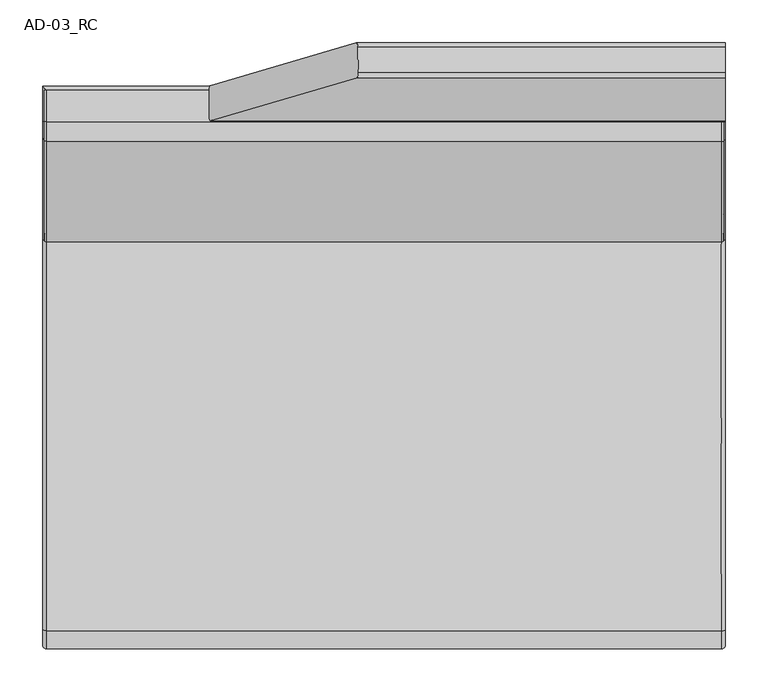
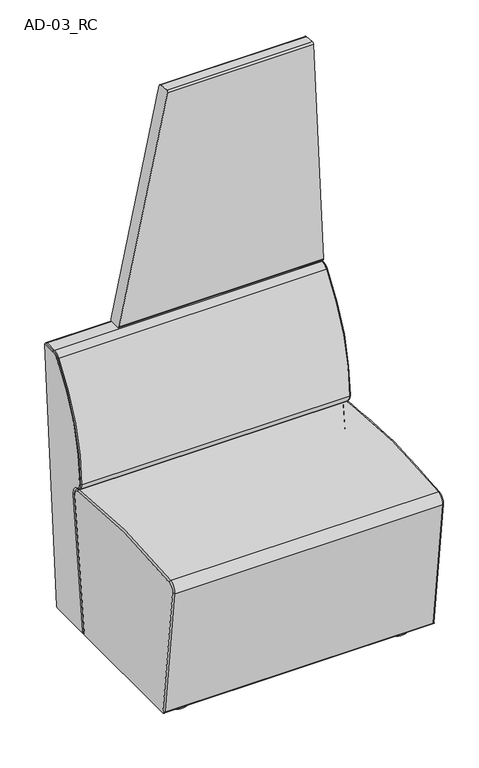
"""IFC4 building model written with IfcOpenShell, lengths in millimetres: furniture geometry, AD-03_RC."""

from ifc_helpers import new_model, si_unit, point, frame, frame_2d, origin, origin_with_axes, place, context, project, spatial, polyline, circle_curve, ellipse_curve, trimmed, segment, composite_curve, outline, extrude, source, transform, mapped, element, save
from ifc_brep_helpers import plane_surface, cylinder_surface, revolved_surface, advanced_brep


def ad_03_rc_693218bc(model_context):
    return source(origin(), model_context, "Body", "SolidModel", [
        advanced_brep(
        [(400.0, 419.2590839, 1469.6077541), (400.0, 413.8822153, 1465.0154618), (400.0, 363.5427897, 825.3922973), (400.0, 368.5273764, 820.0000019), (400.0, 399.604851, 820.0000019), (400.0, 404.5894264, 824.6075634), (400.0, 454.7558357, 1461.7985787), (400.0, 450.1635422, 1467.1756049), (-30.2234991, 419.2590839, 1469.6077541), (-31.4578052, 413.8822153, 1465.0154618), (-203.3742947, 363.5427897, 825.3922973), (-204.8236238, 368.5273764, 820.0000019), (-204.8236238, 399.604851, 820.0000019), (-203.5852137, 404.5894264, 824.6075634), (-32.3224319, 454.7558357, 1461.7985787), (-30.8772068, 450.1635422, 1467.1756049)],
        [
            (0, 1, circle_curve(frame((400.0, 418.866802, 1464.6231664), z_axis=(1.0, 0.0, 0.0), x_axis=(0.0, -1.0, 0.0)), 5.0)),
            (1, 2),
            (2, 3, circle_curve(frame((400.0, 368.5273764, 825.0000019), z_axis=(1.0, 0.0, 0.0), x_axis=(0.0, -1.0, 0.0)), 5.0)),
            (3, 4),
            (4, 5, circle_curve(frame((400.0, 399.604851, 825.0000019), z_axis=(1.0, 0.0, 0.0), x_axis=(0.0, -1.0, 0.0)), 5.0)),
            (5, 6),
            (6, 7, circle_curve(frame((400.0, 449.7712603, 1462.1910171), z_axis=(1.0, 0.0, 0.0), x_axis=(0.0, -1.0, 0.0)), 5.0)),
            (7, 0),
            (0, 8),
            (8, 9, ellipse_curve(frame((-31.5632455, 418.866802, 1464.6231664), z_axis=(0.9657254925064075, 0.0, -0.2595655468725708), x_axis=(0.2595655468725707, 0.0, 0.9657254925064074)), 5.1774547, 5.0)),
            (9, 1),
            (9, 10),
            (10, 2),
            (10, 11, ellipse_curve(frame((-203.479735, 368.5273764, 825.0000019), z_axis=(0.9657254925064075, 0.0, -0.2595655468725708), x_axis=(0.2595655468725707, 0.0, 0.9657254925064074)), 5.1774547, 5.0)),
            (11, 3),
            (11, 12),
            (12, 4),
            (12, 13, ellipse_curve(frame((-203.479735, 399.604851, 825.0000019), z_axis=(0.9657254925064075, 0.0, -0.2595655468725708), x_axis=(0.2595655468725707, 0.0, 0.9657254925064074)), 5.1774547, 5.0)),
            (13, 5),
            (13, 14),
            (14, 6),
            (14, 15, ellipse_curve(frame((-32.2169531, 449.7712603, 1462.1910171), z_axis=(0.9657254925064075, 0.0, -0.2595655468725708), x_axis=(0.2595655468725707, 0.0, 0.9657254925064074)), 5.1774547, 5.0)),
            (15, 7),
            (15, 8),
        ],
        [
            plane_surface(frame((400.0, 413.866802, 1464.6231664), z_axis=(1.0, 0.0, 0.0), x_axis=(0.0, 0.0, -1.0))),
            cylinder_surface(frame((-215.0, 418.866802, 1464.6231664), z_axis=(1.0, 0.0, 0.0), x_axis=(0.0, -1.0, 0.0)), 5.0),
            plane_surface(frame((400.0, 413.8822153, 1465.0154618), z_axis=(0.0, -0.9969173348484363, 0.07845908155650931), x_axis=(-1.0, 0.0, 0.0))),
            cylinder_surface(frame((-215.0, 368.5273764, 825.0000019), z_axis=(1.0, 0.0, 0.0), x_axis=(0.0, -1.0, 0.0)), 5.0),
            plane_surface(frame((400.0, 368.5273764, 820.0000019), z_axis=(0.0, 0.0, -1.0), x_axis=(-1.0, 0.0, 0.0))),
            cylinder_surface(frame((-215.0, 399.604851, 825.0000019), z_axis=(1.0, 0.0, 0.0), x_axis=(0.0, -1.0, 0.0)), 5.0),
            plane_surface(frame((400.0, 404.5894264, 824.6075634), z_axis=(0.0, 0.9969150830060304, -0.07848768868478476), x_axis=(-1.0, 0.0, 0.0))),
            cylinder_surface(frame((-215.0, 449.7712603, 1462.1910171), z_axis=(1.0, 0.0, 0.0), x_axis=(0.0, -1.0, 0.0)), 5.0),
            plane_surface(frame((400.0, 450.1635422, 1467.1756049), z_axis=(0.0, 0.0784563912035882, 0.9969175465801119), x_axis=(-1.0, 0.0, 0.0))),
            plane_surface(frame((-206.1633832, 343.8699125, 815.0153657), z_axis=(-0.9657254925064075, 0.0, 0.2595655468725708), x_axis=(0.0, 1.0, 0.0))),
        ],
        [
            (0, [[1, 2, 3, 4, 5, 6, 7, 8]]),
            (1, [[-1, 9, 10, 11]]),
            (2, [[-2, -11, 12, 13]]),
            (3, [[-3, -13, 14, 15]]),
            (4, [[-4, -15, 16, 17]]),
            (5, [[-5, -17, 18, 19]]),
            (6, [[-6, -19, 20, 21]]),
            (7, [[-7, -21, 22, 23]]),
            (8, [[-8, -23, 24, -9]]),
            (9, [[-10, -24, -22, -20, -18, -16, -14, -12]]),
        ],
    ),
        advanced_brep(
        [(-395.0, 221.524199, 484.6909581), (-395.0, 238.6576062, 460.7221454), (395.0, 238.6576062, 460.7221454), (395.0, 221.524199, 484.6909581), (-398.0, 238.9722245, 461.6713637), (398.0, 238.9722245, 461.6713637), (-398.0, 222.5241535, 484.6814239), (398.0, 222.5241535, 484.6814239), (-398.0, 339.7994218, 808.3627036), (398.0, 339.7994218, 808.3627036), (-395.0, 339.0254308, 808.9959002), (395.0, 339.0254308, 808.9959002), (-398.0, 362.2451605, 819.0000019), (398.0, 362.2451605, 819.0000019), (-398.0, 398.836205, 819.0000019), (398.0, 398.836205, 819.0000019), (-395.0, 398.836205, 820.0000019), (395.0, 398.836205, 820.0000019), (-395.0, 362.2451605, 820.0000019), (395.0, 362.2451605, 820.0000019)],
        [
            (0, 1, circle_curve(frame((-395.0, 246.5230627, 484.4526025), z_axis=(1.0, 0.0, 0.0), x_axis=(0.0, 1.0, 0.0)), 25.0)),
            (1, 2),
            (2, 3, circle_curve(frame((395.0, 246.5230627, 484.4526025), z_axis=(-1.0, 0.0, 0.0), x_axis=(0.0, 1.0, 0.0)), 25.0)),
            (3, 0),
            (1, 4, circle_curve(frame((-395.0, 240.2306975, 465.4682368), z_axis=(0.0, 0.9492182845306808, -0.3146182580725912), x_axis=(0.0, -0.3146182580725912, -0.9492182845306808)), 5.0)),
            (4, 5),
            (5, 2, circle_curve(frame((395.0, 240.2306975, 465.4682368), z_axis=(0.0, 0.9492182845306857, -0.31461825807257626), x_axis=(0.0, -0.31461825807257626, -0.9492182845306857)), 5.0)),
            (4, 6, circle_curve(frame((-398.0, 246.5230627, 484.4526025), z_axis=(-1.0, 0.0, 0.0), x_axis=(0.0, 1.0, 0.0)), 24.0)),
            (6, 7),
            (7, 5, circle_curve(frame((398.0, 246.5230627, 484.4526025), z_axis=(1.0, 0.0, 0.0), x_axis=(0.0, 1.0, 0.0)), 24.0)),
            (6, 8, circle_curve(frame((-398.0, 741.5013672, 479.7331542), z_axis=(-1.0, 0.0, 0.0), x_axis=(0.0, -1.0, 0.0)), 519.0008031)),
            (8, 9),
            (9, 7, circle_curve(frame((398.0, 741.5013672, 479.7331542), z_axis=(1.0, 0.0, 0.0), x_axis=(0.0, -1.0, 0.0)), 519.0008031)),
            (10, 0, circle_curve(frame((-395.0, 741.5013672, 479.7331542), z_axis=(1.0, 0.0, 0.0), x_axis=(0.0, -1.0, 0.0)), 520.0008031)),
            (3, 11, circle_curve(frame((395.0, 741.5013672, 479.7331542), z_axis=(-1.0, 0.0, 0.0), x_axis=(0.0, -1.0, 0.0)), 520.0008031)),
            (11, 10),
            (8, 12, circle_curve(frame((-398.0, 362.2451605, 790.0000019), z_axis=(-1.0, 0.0, 0.0), x_axis=(0.0, -1.0, 0.0)), 29.0)),
            (12, 13),
            (13, 9, circle_curve(frame((398.0, 362.2451605, 790.0000019), z_axis=(1.0, 0.0, 0.0), x_axis=(0.0, -1.0, 0.0)), 29.0)),
            (12, 14),
            (14, 15),
            (15, 13),
            (14, 16, circle_curve(frame((-395.0, 398.836205, 815.0000019), z_axis=(0.0, 1.0, 0.0), x_axis=(0.0, 0.0, 1.0)), 5.0)),
            (16, 17),
            (17, 15, circle_curve(frame((395.0, 398.836205, 815.0000019), z_axis=(0.0, 1.0, 0.0), x_axis=(0.0, 0.0, 1.0)), 5.0)),
            (16, 18),
            (18, 19),
            (19, 17),
            (18, 10, circle_curve(frame((-395.0, 362.2451605, 790.0000019), z_axis=(1.0, 0.0, 0.0), x_axis=(0.0, -1.0, 0.0)), 30.0)),
            (11, 19, circle_curve(frame((395.0, 362.2451605, 790.0000019), z_axis=(-1.0, 0.0, 0.0), x_axis=(0.0, -1.0, 0.0)), 30.0)),
            (0, 6, circle_curve(frame((-395.0, 226.5239717, 484.643287), z_axis=(0.0, -0.009534223590471125, -0.9999545482573329), x_axis=(0.0, -0.9999545482573329, 0.009534223590471125)), 5.0)),
            (10, 8, circle_curve(frame((-395.0, 342.8953858, 805.8299171), z_axis=(0.0, -0.6331966105556625, -0.7739909898576474), x_axis=(0.0, -0.7739909898576474, 0.6331966105556625)), 5.0)),
            (18, 12, circle_curve(frame((-395.0, 362.2451605, 815.0000019), z_axis=(0.0, -1.0, 0.0), x_axis=(0.0, 0.0, 1.0)), 5.0)),
            (19, 13, circle_curve(frame((395.0, 362.2451605, 815.0000019), z_axis=(0.0, 1.0, 0.0), x_axis=(0.0, 0.0, 1.0)), 5.0)),
            (11, 9, circle_curve(frame((395.0, 342.8953858, 805.8299171), z_axis=(0.0, 0.6331966105558353, 0.7739909898575059), x_axis=(0.0, -0.7739909898575059, 0.6331966105558353)), 5.0)),
            (3, 7, circle_curve(frame((395.0, 226.5239717, 484.643287), z_axis=(0.0, 0.009534223590352664, 0.999954548257334), x_axis=(0.0, -0.999954548257334, 0.009534223590352664)), 5.0)),
        ],
        [
            cylinder_surface(frame((-400.0, 246.5230627, 484.4526025), z_axis=(1.0, 0.0, 0.0), x_axis=(0.0, 1.0, 0.0)), 25.0),
            plane_surface(frame((400.0, 238.6576062, 460.7221454), z_axis=(0.0, 0.9492182845306205, -0.31461825807277327), x_axis=(-1.0, 0.0, 0.0))),
            revolved_surface(polyline([(-398.0, 270.52306269999997, 484.4526025), (398.0, 270.52306269999997, 484.4526025)]), (-400.0, 246.5230627, 484.4526025), (-1.0, 0.0, 0.0)),
            revolved_surface(polyline([(-398.0, 222.50056410000002, 479.7331542), (398.0, 222.50056410000002, 479.7331542)]), (-400.0, 741.5013672, 479.7331542), (-1.0, 0.0, 0.0)),
            cylinder_surface(frame((-400.0, 741.5013672, 479.7331542), z_axis=(1.0, 0.0, 0.0), x_axis=(0.0, -1.0, 0.0)), 520.0008031),
            revolved_surface(polyline([(-398.0, 333.2451605, 790.0000019), (398.0, 333.2451605, 790.0000019)]), (-400.0, 362.2451605, 790.0000019), (-1.0, 0.0, 0.0)),
            plane_surface(frame((400.0, 362.2451605, 819.0000019), z_axis=(0.0, 0.0, -1.0), x_axis=(-1.0, 0.0, 0.0))),
            plane_surface(frame((400.0, 398.836205, 819.0000019), z_axis=(0.0, 1.0, 0.0), x_axis=(-1.0, 0.0, 0.0))),
            plane_surface(frame((400.0, 398.836205, 820.0000019), z_axis=(0.0, 0.0, 1.0), x_axis=(-1.0, 0.0, 0.0))),
            cylinder_surface(frame((-400.0, 362.2451605, 790.0000019), z_axis=(1.0, 0.0, 0.0), x_axis=(0.0, -1.0, 0.0)), 30.0),
            revolved_surface(trimmed(ellipse_curve(frame((-395.0, 240.2306975, 465.4682368), z_axis=(0.0, 0.9492182845306808, -0.3146182580725912), x_axis=(0.0, -0.3146182580725912, -0.9492182845306808)), 5.0, 5.0), [point((-395.0, 238.6576062, 460.7221454))], [point((-400.0, 240.2306975, 465.4682368))], True, "CARTESIAN"), (-400.0, 246.5230627, 484.4526025), (-1.0, 0.0, 0.0)),
            revolved_surface(trimmed(ellipse_curve(frame((-395.0, 226.5239717, 484.643287), z_axis=(0.0, -0.009534223590352497, -0.9999545482573341), x_axis=(0.0, -0.9999545482573341, 0.009534223590352497)), 5.0, 5.0), [point((-395.0, 221.524199, 484.6909581))], [point((-400.0, 226.5239717, 484.643287))], True, "CARTESIAN"), (-400.0, 741.5013672, 479.7331542), (-1.0, 0.0, 0.0)),
            revolved_surface(trimmed(ellipse_curve(frame((-395.0, 342.8953858, 805.8299171), z_axis=(0.0, -0.6331966105557443, -0.7739909898575804), x_axis=(0.0, -0.7739909898575804, 0.6331966105557443)), 5.0, 5.0), [point((-395.0, 339.0254308, 808.9959002))], [point((-400.0, 342.8953858, 805.8299171))], True, "CARTESIAN"), (-400.0, 362.2451605, 790.0000019), (-1.0, 0.0, 0.0)),
            cylinder_surface(frame((-395.0, 362.2451605, 815.0000019), z_axis=(0.0, 1.0, 0.0), x_axis=(0.0, 0.0, 1.0)), 5.0),
            cylinder_surface(frame((395.0, 407.2451605, 815.0000019), z_axis=(0.0, -1.0, 0.0), x_axis=(0.0, 0.0, 1.0)), 5.0),
            revolved_surface(trimmed(ellipse_curve(frame((395.0, 362.2451605, 815.0000019), z_axis=(0.0, 1.0, 0.0), x_axis=(0.0, 0.0, 1.0)), 5.0, 5.0), [point((395.0, 362.2451605, 820.0000019))], [point((400.0, 362.2451605, 815.0000019))], True, "CARTESIAN"), (400.0, 362.2451605, 790.0000019), (1.0, 0.0, 0.0)),
            revolved_surface(trimmed(ellipse_curve(frame((395.0, 342.8953858, 805.8299171), z_axis=(0.0, 0.6331966105556678, 0.7739909898576429), x_axis=(0.0, -0.7739909898576429, 0.6331966105556678)), 5.0, 5.0), [point((395.0, 339.0254308, 808.9959002))], [point((400.0, 342.8953858, 805.8299171))], True, "CARTESIAN"), (400.0, 741.5013672, 479.7331542), (1.0, 0.0, 0.0)),
            revolved_surface(trimmed(ellipse_curve(frame((395.0, 226.5239717, 484.643287), z_axis=(0.0, 0.00953422359047229, 0.999954548257333), x_axis=(0.0, -0.999954548257333, 0.00953422359047229)), 5.0, 5.0), [point((395.0, 221.524199, 484.6909581))], [point((400.0, 226.5239717, 484.643287))], True, "CARTESIAN"), (400.0, 246.5230627, 484.4526025), (1.0, 0.0, 0.0)),
        ],
        [
            (0, [[1, 2, 3, 4]]),
            (1, [[5, 6, 7, -2]]),
            (2, [[8, 9, 10, -6]]),
            (3, [[11, 12, 13, -9]]),
            (4, [[14, -4, 15, 16]]),
            (5, [[17, 18, 19, -12]]),
            (6, [[20, 21, 22, -18]]),
            (7, [[23, 24, 25, -21]]),
            (8, [[26, 27, 28, -24]]),
            (9, [[29, -16, 30, -27]]),
            (10, [[31, -8, -5, -1]]),
            (11, [[-31, -14, 32, -11]]),
            (12, [[-32, -29, 33, -17]]),
            (13, [[-33, -26, -23, -20]]),
            (14, [[34, -22, -25, -28]]),
            (15, [[35, -19, -34, -30]]),
            (16, [[36, -13, -35, -15]]),
            (17, [[-36, -3, -7, -10]]),
        ],
    ),
        advanced_brep(
        [(400.0, 342.4334712, 34.6077039), (400.0, 403.8207917, 814.6077065), (400.0, 403.836205, 815.0000019), (400.0, 362.2451605, 815.0000019), (400.0, 342.8953858, 805.8299171), (400.0, 226.5239717, 484.643287), (400.0, 240.2306975, 465.4682368), (400.0, 260.5669798, 433.3229695), (400.0, 211.4874395, 34.9999993), (400.0, 206.5249679, 35.6114525), (400.0, 211.4874395, 29.9999993), (400.0, 337.4488846, 29.9999993), (-400.0, 342.4334712, 34.6077039), (-400.0, 337.4488846, 29.9999993), (-400.0, 211.4874395, 29.9999993), (-400.0, 206.5249679, 35.6114525), (-400.0, 211.4874395, 34.9999993), (-400.0, 260.5669798, 433.3229695), (-400.0, 240.2306975, 465.4682368), (-400.0, 226.5239717, 484.643287), (-400.0, 342.8953858, 805.8299171), (-400.0, 362.2451605, 815.0000019), (-400.0, 403.836205, 815.0000019), (-400.0, 403.8207917, 814.6077065), (-395.0, 398.836205, 820.0000019), (395.0, 398.836205, 820.0000019), (-395.0, 238.6576062, 460.7221454), (-395.0, 255.6045081, 433.9344226), (395.0, 255.6045081, 433.9344226), (395.0, 238.6576062, 460.7221454), (-395.0, 206.5249679, 35.6114525), (395.0, 206.5249679, 35.6114525), (-398.0, 398.836205, 819.0000019), (398.0, 398.836205, 819.0000019), (-398.0, 362.2451605, 819.0000019), (398.0, 362.2451605, 819.0000019), (-398.0, 339.7994218, 808.3627036), (398.0, 339.7994218, 808.3627036), (-398.0, 222.5241535, 484.6814239), (398.0, 222.5241535, 484.6814239), (-398.0, 238.9722245, 461.6713637), (398.0, 238.9722245, 461.6713637)],
        [
            (0, 1),
            (1, 2, circle_curve(frame((400.0, 398.836205, 815.0000019), z_axis=(1.0, 0.0, 0.0), x_axis=(0.0, -1.0, 0.0)), 5.0)),
            (2, 3),
            (3, 4, circle_curve(frame((400.0, 362.2451605, 790.0000019), z_axis=(1.0, 0.0, 0.0), x_axis=(0.0, 0.0, 1.0)), 25.0)),
            (4, 5, circle_curve(frame((400.0, 741.5013672, 479.7331542), z_axis=(1.0, 0.0, 0.0), x_axis=(0.0, -0.7739909898576431, 0.6331966105556676)), 515.0008031)),
            (5, 6, circle_curve(frame((400.0, 246.5230627, 484.4526025), z_axis=(1.0, 0.0, 0.0), x_axis=(0.0, -0.999954548257333, 0.009534223590471985)), 20.0)),
            (6, 7, circle_curve(frame((400.0, 230.7921498, 436.9916883), z_axis=(-1.0, 0.0, 0.0), x_axis=(0.0, 0.3146182580725262, 0.9492182845307023)), 30.0)),
            (7, 8),
            (8, 9),
            (9, 10, circle_curve(frame((400.0, 211.4874395, 34.9999993), z_axis=(1.0, 0.0, 0.0), x_axis=(0.0, -1.0, 0.0)), 5.0)),
            (10, 11),
            (11, 0, circle_curve(frame((400.0, 337.4488846, 34.9999993), z_axis=(1.0, 0.0, 0.0), x_axis=(0.0, -1.0, 0.0)), 5.0)),
            (12, 13, circle_curve(frame((-400.0, 337.4488846, 34.9999993), z_axis=(-1.0, 0.0, 0.0), x_axis=(0.0, -1.0, 0.0)), 5.0)),
            (13, 14),
            (14, 15, circle_curve(frame((-400.0, 211.4874395, 34.9999993), z_axis=(-1.0, 0.0, 0.0), x_axis=(0.0, -1.0, 0.0)), 5.0)),
            (15, 16),
            (16, 17),
            (17, 18, circle_curve(frame((-400.0, 230.7921498, 436.9916883), z_axis=(1.0, 0.0, 0.0), x_axis=(0.0, 0.9924943338041959, -0.12229062665047293)), 30.0)),
            (18, 19, circle_curve(frame((-400.0, 246.5230627, 484.4526025), z_axis=(-1.0, 0.0, 0.0), x_axis=(0.0, -0.31461825807259114, -0.9492182845306808)), 20.0)),
            (19, 20, circle_curve(frame((-400.0, 741.5013672, 479.7331542), z_axis=(-1.0, 0.0, 0.0), x_axis=(0.0, -0.9999545482573341, 0.009534223590352409)), 515.0008031)),
            (20, 21, circle_curve(frame((-400.0, 362.2451605, 790.0000019), z_axis=(-1.0, 0.0, 0.0), x_axis=(0.0, -0.7739909898575803, 0.6331966105557444)), 25.0)),
            (21, 22),
            (22, 23, circle_curve(frame((-400.0, 398.836205, 815.0000019), z_axis=(-1.0, 0.0, 0.0), x_axis=(0.0, -1.0, 0.0)), 5.0)),
            (23, 12),
            (0, 12),
            (23, 1),
            (22, 24, ellipse_curve(frame((-395.0, 398.836205, 815.0000019), z_axis=(0.7071067811865475, 0.7071067811865475, 0.0), x_axis=(0.7071067811865476, -0.7071067811865474, 0.0)), 7.0710678, 5.0)),
            (24, 25),
            (25, 2, ellipse_curve(frame((395.0, 398.836205, 815.0000019), z_axis=(-0.7071067811865475, 0.7071067811865475, 0.0), x_axis=(0.7071067811865476, 0.7071067811865474, 0.0)), 7.0710678, 5.0)),
            (26, 27, circle_curve(frame((-395.0, 230.7921498, 436.9916883), z_axis=(-1.0, 0.0, 0.0), x_axis=(0.0, -1.0, 0.0)), 25.0)),
            (27, 28),
            (28, 29, circle_curve(frame((395.0, 230.7921498, 436.9916883), z_axis=(1.0, 0.0, 0.0), x_axis=(0.0, -1.0, 0.0)), 25.0)),
            (29, 26),
            (27, 30),
            (30, 31),
            (31, 28),
            (9, 31),
            (30, 15),
            (14, 10),
            (13, 11),
            (24, 32, circle_curve(frame((-395.0, 398.836205, 815.0000019), z_axis=(0.0, -1.0, 0.0), x_axis=(0.0, 0.0, 1.0)), 5.0)),
            (32, 33),
            (33, 25, circle_curve(frame((395.0, 398.836205, 815.0000019), z_axis=(0.0, -1.0, 0.0), x_axis=(0.0, 0.0, 1.0)), 5.0)),
            (32, 34),
            (34, 35),
            (35, 33),
            (34, 36, circle_curve(frame((-398.0, 362.2451605, 790.0000019), z_axis=(1.0, 0.0, 0.0), x_axis=(0.0, -1.0, 0.0)), 29.0)),
            (36, 37),
            (37, 35, circle_curve(frame((398.0, 362.2451605, 790.0000019), z_axis=(-1.0, 0.0, 0.0), x_axis=(0.0, -1.0, 0.0)), 29.0)),
            (36, 38, circle_curve(frame((-398.0, 741.5013672, 479.7331542), z_axis=(1.0, 0.0, 0.0), x_axis=(0.0, -1.0, 0.0)), 519.0008031)),
            (38, 39),
            (39, 37, circle_curve(frame((398.0, 741.5013672, 479.7331542), z_axis=(-1.0, 0.0, 0.0), x_axis=(0.0, -1.0, 0.0)), 519.0008031)),
            (38, 40, circle_curve(frame((-398.0, 246.5230627, 484.4526025), z_axis=(1.0, 0.0, 0.0), x_axis=(0.0, 1.0, 0.0)), 24.0)),
            (40, 41),
            (41, 39, circle_curve(frame((398.0, 246.5230627, 484.4526025), z_axis=(-1.0, 0.0, 0.0), x_axis=(0.0, 1.0, 0.0)), 24.0)),
            (40, 26, circle_curve(frame((-395.0, 240.2306975, 465.4682368), z_axis=(0.0, -0.949218284530701, 0.31461825807253), x_axis=(0.0, -0.31461825807253, -0.949218284530701)), 5.0)),
            (29, 41, circle_curve(frame((395.0, 240.2306975, 465.4682368), z_axis=(0.0, -0.9492182845307022, 0.31461825807252664), x_axis=(0.0, -0.31461825807252664, -0.9492182845307022)), 5.0)),
            (30, 16, circle_curve(frame((-395.0, 211.4874395, 34.9999993), z_axis=(0.0, -0.12229062665048503, -0.9924943338041944), x_axis=(0.0, -0.9924943338041944, 0.12229062665048503)), 5.0)),
            (27, 17, circle_curve(frame((-395.0, 260.5669798, 433.3229695), z_axis=(0.0, -0.12229062665048503, -0.9924943338041944), x_axis=(0.0, -0.9924943338041944, 0.12229062665048503)), 5.0)),
            (40, 18, circle_curve(frame((-395.0, 240.2306975, 465.4682368), z_axis=(0.0, 0.949218284530701, -0.31461825807253), x_axis=(0.0, -0.31461825807253, -0.949218284530701)), 5.0)),
            (38, 19, circle_curve(frame((-395.0, 226.5239717, 484.643287), z_axis=(0.0, -0.009534223590481783, -0.999954548257333), x_axis=(0.0, -0.999954548257333, 0.009534223590481783)), 5.0)),
            (36, 20, circle_curve(frame((-395.0, 342.8953858, 805.8299171), z_axis=(0.0, -0.6331966105556722, -0.7739909898576393), x_axis=(0.0, -0.7739909898576393, 0.6331966105556722)), 5.0)),
            (34, 21, circle_curve(frame((-395.0, 362.2451605, 815.0000019), z_axis=(0.0, -1.0, 0.0), x_axis=(0.0, 0.0, 1.0)), 5.0)),
            (35, 3, circle_curve(frame((395.0, 362.2451605, 815.0000019), z_axis=(0.0, 1.0, 0.0), x_axis=(0.0, 0.0, 1.0)), 5.0)),
            (37, 4, circle_curve(frame((395.0, 342.8953858, 805.8299171), z_axis=(0.0, 0.6331966105559279, 0.7739909898574301), x_axis=(0.0, -0.7739909898574301, 0.6331966105559279)), 5.0)),
            (39, 5, circle_curve(frame((395.0, 226.5239717, 484.643287), z_axis=(0.0, 0.009534223590352942, 0.9999545482573342), x_axis=(0.0, -0.9999545482573342, 0.009534223590352942)), 5.0)),
            (41, 6, circle_curve(frame((395.0, 240.2306975, 465.4682368), z_axis=(0.0, -0.949218284530679, 0.3146182580725963), x_axis=(0.0, -0.3146182580725963, -0.949218284530679)), 5.0)),
            (28, 7, circle_curve(frame((395.0, 260.5669798, 433.3229695), z_axis=(0.0, 0.12229062665048149, 0.9924943338041949), x_axis=(0.0, -0.9924943338041949, 0.12229062665048149)), 5.0)),
            (8, 31, circle_curve(frame((395.0, 211.4874395, 34.9999993), z_axis=(0.0, -0.12229062665048539, -0.9924943338041944), x_axis=(0.0, -0.9924943338041944, 0.12229062665048539)), 5.0)),
        ],
        [
            plane_surface(frame((400.0, 403.820794, 814.6077357), z_axis=(1.0, 0.0, 0.0), x_axis=(0.0, 0.07845908166168687, 0.9969173348401585))),
            plane_surface(frame((-400.0, 403.820794, 814.6077357), z_axis=(-1.0, 0.0, 0.0), x_axis=(0.0, -0.07845908166168687, -0.9969173348401585))),
            plane_surface(frame((400.0, 342.4334712, 34.6077039), z_axis=(0.0, 0.9969173348401585, -0.07845908166168687), x_axis=(-1.0, 0.0, 0.0))),
            cylinder_surface(frame((-400.0, 398.836205, 815.0000019), z_axis=(1.0, 0.0, 0.0), x_axis=(0.0, -1.0, 0.0)), 5.0),
            revolved_surface(polyline([(-395.0, 205.7921498, 436.9916883), (395.0, 205.7921498, 436.9916883)]), (-400.0, 230.7921498, 436.9916883), (-1.0, 0.0, 0.0)),
            plane_surface(frame((400.0, 255.6045081, 433.9344226), z_axis=(0.0, -0.9924943338041945, 0.12229062665048508), x_axis=(-1.0, 0.0, 0.0))),
            cylinder_surface(frame((-400.0, 211.4874395, 34.9999993), z_axis=(1.0, 0.0, 0.0), x_axis=(0.0, -1.0, 0.0)), 5.0),
            plane_surface(frame((400.0, 211.4874395, 29.9999993), z_axis=(0.0, 0.0, -1.0), x_axis=(-1.0, 0.0, 0.0))),
            cylinder_surface(frame((-400.0, 337.4488846, 34.9999993), z_axis=(1.0, 0.0, 0.0), x_axis=(0.0, -1.0, 0.0)), 5.0),
            plane_surface(frame((400.0, 398.836205, 820.0000019), z_axis=(0.0, -1.0, 0.0), x_axis=(-1.0, 0.0, 0.0))),
            plane_surface(frame((400.0, 398.836205, 819.0000019), z_axis=(0.0, 0.0, 1.0), x_axis=(-1.0, 0.0, 0.0))),
            cylinder_surface(frame((-400.0, 362.2451605, 790.0000019), z_axis=(1.0, 0.0, 0.0), x_axis=(0.0, -1.0, 0.0)), 29.0),
            cylinder_surface(frame((-400.0, 741.5013672, 479.7331542), z_axis=(1.0, 0.0, 0.0), x_axis=(0.0, -1.0, 0.0)), 519.0008031),
            cylinder_surface(frame((-400.0, 246.5230627, 484.4526025), z_axis=(1.0, 0.0, 0.0), x_axis=(0.0, 1.0, 0.0)), 24.0),
            plane_surface(frame((400.0, 238.9722245, 461.6713637), z_axis=(0.0, -0.9492182845306811, 0.3146182580725903), x_axis=(-1.0, 0.0, 0.0))),
            plane_surface(frame((-400.0, 206.5249679, 35.6114525), z_axis=(0.0, 0.12229062665048503, 0.9924943338041944), x_axis=(-1.0, 0.0, 0.0))),
            cylinder_surface(frame((-395.0, 211.4874395, 34.9999993), z_axis=(0.0, 0.12229062665048503, 0.9924943338041944), x_axis=(0.0, -0.9924943338041944, 0.12229062665048503)), 5.0),
            revolved_surface(trimmed(ellipse_curve(frame((-395.0, 260.5669798, 433.3229695), z_axis=(0.0, -0.12229062665047293, -0.9924943338041959), x_axis=(0.0, -0.9924943338041959, 0.12229062665047293)), 5.0, 5.0), [point((-395.0, 255.6045081, 433.9344226))], [point((-400.0, 260.5669798, 433.3229695))], True, "CARTESIAN"), (-400.0, 230.7921498, 436.9916883), (1.0, 0.0, 0.0)),
            revolved_surface(trimmed(ellipse_curve(frame((-395.0, 240.2306975, 465.4682368), z_axis=(0.0, 0.9492182845306808, -0.3146182580725912), x_axis=(0.0, -0.3146182580725912, -0.9492182845306808)), 5.0, 5.0), [point((-395.0, 238.6576062, 460.7221454))], [point((-400.0, 240.2306975, 465.4682368))], True, "CARTESIAN"), (-400.0, 246.5230627, 484.4526025), (-1.0, 0.0, 0.0)),
            revolved_surface(trimmed(ellipse_curve(frame((-395.0, 226.5239717, 484.643287), z_axis=(0.0, -0.009534223590352497, -0.9999545482573341), x_axis=(0.0, -0.9999545482573341, 0.009534223590352497)), 5.0, 5.0), [point((-395.0, 221.524199, 484.6909581))], [point((-400.0, 226.5239717, 484.643287))], True, "CARTESIAN"), (-400.0, 741.5013672, 479.7331542), (-1.0, 0.0, 0.0)),
            revolved_surface(trimmed(ellipse_curve(frame((-395.0, 342.8953858, 805.8299171), z_axis=(0.0, -0.6331966105557443, -0.7739909898575804), x_axis=(0.0, -0.7739909898575804, 0.6331966105557443)), 5.0, 5.0), [point((-395.0, 339.0254308, 808.9959002))], [point((-400.0, 342.8953858, 805.8299171))], True, "CARTESIAN"), (-400.0, 362.2451605, 790.0000019), (-1.0, 0.0, 0.0)),
            cylinder_surface(frame((-395.0, 362.2451605, 815.0000019), z_axis=(0.0, 1.0, 0.0), x_axis=(0.0, 0.0, 1.0)), 5.0),
            cylinder_surface(frame((395.0, 407.2451605, 815.0000019), z_axis=(0.0, -1.0, 0.0), x_axis=(0.0, 0.0, 1.0)), 5.0),
            revolved_surface(trimmed(ellipse_curve(frame((395.0, 362.2451605, 815.0000019), z_axis=(0.0, 1.0, 0.0), x_axis=(0.0, 0.0, 1.0)), 5.0, 5.0), [point((395.0, 362.2451605, 820.0000019))], [point((400.0, 362.2451605, 815.0000019))], True, "CARTESIAN"), (400.0, 362.2451605, 790.0000019), (1.0, 0.0, 0.0)),
            revolved_surface(trimmed(ellipse_curve(frame((395.0, 342.8953858, 805.8299171), z_axis=(0.0, 0.6331966105556678, 0.7739909898576429), x_axis=(0.0, -0.7739909898576429, 0.6331966105556678)), 5.0, 5.0), [point((395.0, 339.0254308, 808.9959002))], [point((400.0, 342.8953858, 805.8299171))], True, "CARTESIAN"), (400.0, 741.5013672, 479.7331542), (1.0, 0.0, 0.0)),
            revolved_surface(trimmed(ellipse_curve(frame((395.0, 226.5239717, 484.643287), z_axis=(0.0, 0.00953422359047229, 0.999954548257333), x_axis=(0.0, -0.999954548257333, 0.00953422359047229)), 5.0, 5.0), [point((395.0, 221.524199, 484.6909581))], [point((400.0, 226.5239717, 484.643287))], True, "CARTESIAN"), (400.0, 246.5230627, 484.4526025), (1.0, 0.0, 0.0)),
            revolved_surface(trimmed(ellipse_curve(frame((395.0, 240.2306975, 465.4682368), z_axis=(0.0, -0.9492182845307022, 0.31461825807252664), x_axis=(0.0, -0.31461825807252664, -0.9492182845307022)), 5.0, 5.0), [point((395.0, 238.6576062, 460.7221454))], [point((400.0, 240.2306975, 465.4682368))], True, "CARTESIAN"), (400.0, 230.7921498, 436.9916883), (-1.0, 0.0, 0.0)),
            plane_surface(frame((400.0, 206.5249679, 35.6114525), z_axis=(0.0, 0.12229062665048503, 0.9924943338041944), x_axis=(1.0, 0.0, 0.0))),
            cylinder_surface(frame((395.0, 260.5669798, 433.3229695), z_axis=(0.0, -0.12229062665048539, -0.9924943338041944), x_axis=(0.0, -0.9924943338041944, 0.12229062665048539)), 5.0),
        ],
        [
            (0, [[1, 2, 3, 4, 5, 6, 7, 8, 9, 10, 11, 12]]),
            (1, [[13, 14, 15, 16, 17, 18, 19, 20, 21, 22, 23, 24]]),
            (2, [[-1, 25, -24, 26]]),
            (3, [[-26, -23, 27, 28, 29, -2]]),
            (4, [[30, 31, 32, 33]]),
            (5, [[34, 35, 36, -31]]),
            (6, [[-10, 37, -35, 38, -15, 39]]),
            (7, [[-11, -39, -14, 40]]),
            (8, [[-12, -40, -13, -25]]),
            (9, [[41, 42, 43, -28]]),
            (10, [[44, 45, 46, -42]]),
            (11, [[47, 48, 49, -45]]),
            (12, [[50, 51, 52, -48]]),
            (13, [[53, 54, 55, -51]]),
            (14, [[56, -33, 57, -54]]),
            (15, [[58, -16, -38]]),
            (16, [[-58, -34, 59, -17]]),
            (17, [[-59, -30, -56, 60, -18]]),
            (18, [[61, -19, -60, -53]]),
            (19, [[62, -20, -61, -50]]),
            (20, [[63, -21, -62, -47]]),
            (21, [[-63, -44, -41, -27, -22]]),
            (22, [[64, -3, -29, -43, -46]]),
            (23, [[-64, -49, 65, -4]]),
            (24, [[-65, -52, 66, -5]]),
            (25, [[-66, -55, 67, -6]]),
            (26, [[68, -7, -67, -57, -32]]),
            (27, [[69, -37, -9]]),
            (28, [[-68, -36, -69, -8]]),
        ],
    ),
        advanced_brep(
        [(-400.0, 206.3750828, 34.3906528), (-400.0, 201.412352, 29.9999993), (-400.0, -200.5276094, 29.9999993), (-400.0, -206.4828863, 35.2687832), (-400.0, -201.5201556, 35.87813), (-400.0, -250.4781915, 434.6093051), (-400.0, -233.3810316, 456.8562047), (-400.0, 233.3810317, 456.8562047), (-400.0, 250.4781882, 434.6093065), (-400.0, 201.412352, 34.9999993), (400.0, -206.4828863, 35.2687832), (400.0, -200.5276094, 29.9999993), (400.0, 201.412352, 29.9999993), (400.0, 206.3750828, 34.3906528), (400.0, 201.412352, 34.9999993), (400.0, 250.4781882, 434.6093065), (400.0, 233.3810317, 456.8562047), (400.0, -233.3810318, 456.8562058), (400.0, -250.4781881, 434.6093055), (400.0, -201.5201556, 35.87813), (-395.0, 206.3750828, 34.3906528), (-395.0, 255.440919, 433.99996), (395.0, 255.440919, 433.99996), (395.0, 206.3750828, 34.3906528), (-395.0, 234.0694734, 461.8085827), (395.0, 234.0694734, 461.8085827), (-395.0, -234.0694734, 461.8085838), (395.0, -234.0694734, 461.8085838), (-395.0, -255.4409188, 433.9999588), (395.0, -255.4409188, 433.9999588), (-395.0, -206.4828863, 35.2687832), (395.0, -206.4828863, 35.2687832)],
        [
            (0, 1, circle_curve(frame((-400.0, 201.412352, 34.9999993), z_axis=(-1.0, 0.0, 0.0), x_axis=(0.0, -1.0, 0.0)), 5.0)),
            (1, 2),
            (2, 3, circle_curve(frame((-400.0, -200.5276094, 35.9999993), z_axis=(-1.0, 0.0, 0.0), x_axis=(0.0, -1.0, 0.0)), 6.0)),
            (3, 4),
            (4, 5),
            (5, 6, circle_curve(frame((-400.0, -230.6272651, 437.0466926), z_axis=(-1.0, 0.0, 0.0), x_axis=(0.0, -0.992546150542699, -0.12186935235271382)), 20.0)),
            (6, 7, circle_curve(frame((-400.0, -4.1e-06, -1221.9949917), z_axis=(-1.0, 0.0, 0.0), x_axis=(0.0, -0.13768832817489843, 0.9904756050930288)), 1694.9949992)),
            (7, 8, circle_curve(frame((-400.0, 230.6272651, 437.0466926), z_axis=(-1.0, 0.0, 0.0), x_axis=(0.0, 0.13768833294240157, 0.990475604430287)), 20.0)),
            (8, 9),
            (9, 0),
            (10, 11, circle_curve(frame((400.0, -200.5276094, 35.9999993), z_axis=(1.0, 0.0, 0.0), x_axis=(0.0, -1.0, 0.0)), 6.0)),
            (11, 12),
            (12, 13, circle_curve(frame((400.0, 201.412352, 34.9999993), z_axis=(1.0, 0.0, 0.0), x_axis=(0.0, -1.0, 0.0)), 5.0)),
            (13, 14),
            (14, 15),
            (15, 16, circle_curve(frame((400.0, 230.6272651, 437.0466926), z_axis=(1.0, 0.0, 0.0), x_axis=(0.0, 0.9925461567869625, -0.1218693014972616)), 20.0)),
            (16, 17, circle_curve(frame((400.0, -4.1e-06, -1221.9949917), z_axis=(1.0, 0.0, 0.0), x_axis=(0.0, 0.13768833294193644, 0.9904756044303517)), 1694.9949992)),
            (17, 18, circle_curve(frame((400.0, -230.6272651, 437.0466926), z_axis=(1.0, 0.0, 0.0), x_axis=(0.0, -0.1376883281748983, 0.9904756050930288)), 20.0)),
            (18, 19),
            (19, 10),
            (20, 21),
            (21, 22),
            (22, 23),
            (23, 20),
            (21, 24, circle_curve(frame((-395.0, 230.6272651, 437.0466926), z_axis=(1.0, 0.0, 0.0), x_axis=(0.0, -1.0, 0.0)), 25.0)),
            (24, 25),
            (25, 22, circle_curve(frame((395.0, 230.6272651, 437.0466926), z_axis=(-1.0, 0.0, 0.0), x_axis=(0.0, -1.0, 0.0)), 25.0)),
            (24, 26, circle_curve(frame((-395.0, -4.1e-06, -1221.9949917), z_axis=(1.0, 0.0, 0.0), x_axis=(0.0, -1.0, 0.0)), 1699.9949992)),
            (26, 27),
            (27, 25, circle_curve(frame((395.0, -4.1e-06, -1221.9949917), z_axis=(-1.0, 0.0, 0.0), x_axis=(0.0, -1.0, 0.0)), 1699.9949992)),
            (26, 28, circle_curve(frame((-395.0, -230.6272651, 437.0466926), z_axis=(1.0, 0.0, 0.0), x_axis=(0.0, 1.0, 0.0)), 25.0)),
            (28, 29),
            (29, 27, circle_curve(frame((395.0, -230.6272651, 437.0466926), z_axis=(-1.0, 0.0, 0.0), x_axis=(0.0, 1.0, 0.0)), 25.0)),
            (28, 30),
            (30, 31),
            (31, 29),
            (2, 11),
            (10, 31),
            (30, 3),
            (1, 12),
            (0, 20),
            (23, 13),
            (28, 5, circle_curve(frame((-395.0, -250.4781915, 434.6093051), z_axis=(0.0, 0.12186935235272628, -0.9925461505426976), x_axis=(0.0, -0.9925461505426976, -0.12186935235272628)), 5.0)),
            (4, 30, circle_curve(frame((-395.0, -201.5201556, 35.87813), z_axis=(0.0, -0.12186935235272628, 0.9925461505426976), x_axis=(0.0, -0.9925461505426976, -0.12186935235272628)), 5.0)),
            (26, 6, circle_curve(frame((-395.0, -233.3810316, 456.8562047), z_axis=(0.0, -0.9904756050930288, -0.13768832817489862), x_axis=(0.0, -0.13768832817489862, 0.9904756050930288)), 5.0)),
            (24, 7, circle_curve(frame((-395.0, 233.3810317, 456.8562047), z_axis=(0.0, -0.9904756044303525, 0.13768833294193053), x_axis=(0.0, 0.13768833294193053, 0.9904756044303525)), 5.0)),
            (21, 8, circle_curve(frame((-395.0, 250.4781882, 434.6093065), z_axis=(0.0, 0.12186930149726008, 0.9925461567869628), x_axis=(0.0, 0.9925461567869628, -0.12186930149726008)), 5.0)),
            (20, 9, circle_curve(frame((-395.0, 201.412352, 34.9999993), z_axis=(0.0, 0.1218693014972678, 0.9925461567869619), x_axis=(0.0, 0.9925461567869619, -0.1218693014972678)), 5.0)),
            (23, 14, circle_curve(frame((395.0, 201.412352, 34.9999993), z_axis=(0.0, -0.1218693014972677, -0.9925461567869618), x_axis=(1.0, 0.0, 0.0)), 5.0)),
            (22, 15, circle_curve(frame((395.0, 250.4781882, 434.6093065), z_axis=(0.0, -0.1218693014972677, -0.9925461567869618), x_axis=(1.0, 0.0, 0.0)), 5.0)),
            (25, 16, circle_curve(frame((395.0, 233.3810317, 456.8562047), z_axis=(0.0, 0.9904756044302307, -0.1376883329428058), x_axis=(1.0, 0.0, 0.0)), 5.0)),
            (27, 17, circle_curve(frame((395.0, -233.3810318, 456.8562058), z_axis=(0.0, 0.9904756050930288, 0.13768832817489843), x_axis=(1.0, 0.0, 0.0)), 5.0)),
            (29, 18, circle_curve(frame((395.0, -250.4781881, 434.6093055), z_axis=(0.0, -0.12186935235272664, 0.9925461505426973), x_axis=(1.0, 0.0, 0.0)), 5.0)),
            (19, 31, circle_curve(frame((395.0, -201.5201556, 35.87813), z_axis=(0.0, 0.12186935235272629, -0.9925461505426976), x_axis=(1.0, 0.0, 0.0)), 5.0)),
        ],
        [
            plane_surface(frame((-400.0, 255.440925, 434.0000094), z_axis=(-1.0, 0.0, 0.0), x_axis=(0.0, -0.12186930149726774, -0.9925461567869618))),
            plane_surface(frame((400.0, 255.440925, 434.0000094), z_axis=(1.0, 0.0, 0.0), x_axis=(0.0, 0.12186930149726774, 0.9925461567869618))),
            plane_surface(frame((400.0, 206.3750828, 34.3906528), z_axis=(0.0, 0.9925461567869618, -0.12186930149726774), x_axis=(-1.0, 0.0, 0.0))),
            cylinder_surface(frame((-400.0, 230.6272651, 437.0466926), z_axis=(1.0, 0.0, 0.0), x_axis=(0.0, -1.0, 0.0)), 25.0),
            cylinder_surface(frame((-400.0, -4.1e-06, -1221.9949917), z_axis=(1.0, 0.0, 0.0), x_axis=(0.0, -1.0, 0.0)), 1699.9949992),
            cylinder_surface(frame((-400.0, -230.6272651, 437.0466926), z_axis=(1.0, 0.0, 0.0), x_axis=(0.0, 1.0, 0.0)), 25.0),
            plane_surface(frame((400.0, -255.4409223, 433.9999583), z_axis=(0.0, -0.9925461505426975, -0.12186935235272627), x_axis=(-1.0, 0.0, 0.0))),
            cylinder_surface(frame((-400.0, -200.5276094, 35.9999993), z_axis=(1.0, 0.0, 0.0), x_axis=(0.0, -1.0, 0.0)), 6.0),
            plane_surface(frame((400.0, -200.5276094, 29.9999993), z_axis=(0.0, 0.0, -1.0), x_axis=(-1.0, 0.0, 0.0))),
            cylinder_surface(frame((-400.0, 201.412352, 34.9999993), z_axis=(1.0, 0.0, 0.0), x_axis=(0.0, -1.0, 0.0)), 5.0),
            cylinder_surface(frame((-395.0, -201.5201556, 35.87813), z_axis=(0.0, -0.12186935235272628, 0.9925461505426976), x_axis=(0.0, -0.9925461505426976, -0.12186935235272628)), 5.0),
            revolved_surface(trimmed(ellipse_curve(frame((-395.0, -250.4781881, 434.6093055), z_axis=(0.0, 0.1218693523527139, -0.992546150542699), x_axis=(0.0, -0.992546150542699, -0.1218693523527139)), 5.0, 5.0), [point((-395.0, -255.4409188, 433.9999588))], [point((-400.0, -250.4781881, 434.6093055))], True, "CARTESIAN"), (-400.0, -230.6272651, 437.0466926), (-1.0, 0.0, 0.0)),
            revolved_surface(trimmed(ellipse_curve(frame((-395.0, -233.3810318, 456.8562058), z_axis=(0.0, -0.9904756050930288, -0.13768832817489846), x_axis=(0.0, -0.13768832817489846, 0.9904756050930288)), 5.0, 5.0), [point((-395.0, -234.0694734, 461.8085838))], [point((-400.0, -233.3810318, 456.8562058))], True, "CARTESIAN"), (-400.0, -4.1e-06, -1221.9949917), (-1.0, 0.0, 0.0)),
            revolved_surface(trimmed(ellipse_curve(frame((-395.0, 233.3810317, 456.8562047), z_axis=(0.0, -0.990475604430287, 0.1376883329424016), x_axis=(0.0, 0.1376883329424016, 0.990475604430287)), 5.0, 5.0), [point((-395.0, 234.0694734, 461.8085827))], [point((-400.0, 233.3810317, 456.8562047))], True, "CARTESIAN"), (-400.0, 230.6272651, 437.0466926), (-1.0, 0.0, 0.0)),
            cylinder_surface(frame((-395.0, 250.4781882, 434.6093065), z_axis=(0.0, -0.1218693014972678, -0.9925461567869619), x_axis=(0.0, 0.9925461567869619, -0.1218693014972678)), 5.0),
            plane_surface(frame((-400.0, 206.3750828, 34.3906528), z_axis=(0.0, 0.12186930149726774, 0.9925461567869618), x_axis=(-1.0, 0.0, 0.0))),
            plane_surface(frame((-400.0, -206.4828863, 35.2687832), z_axis=(0.0, -0.12186935235272622, 0.9925461505426975), x_axis=(-1.0, 0.0, 0.0))),
            plane_surface(frame((400.0, 206.3750828, 34.3906528), z_axis=(0.0, 0.12186930149726775, 0.9925461567869618), x_axis=(1.0, 0.0, 0.0))),
            cylinder_surface(frame((395.0, 201.412352, 34.9999993), z_axis=(0.0, 0.1218693014972677, 0.9925461567869618), x_axis=(1.0, 0.0, 0.0)), 5.0),
            revolved_surface(trimmed(ellipse_curve(frame((395.0, 250.4781882, 434.6093065), z_axis=(0.0, -0.12186930149726156, -0.9925461567869625), x_axis=(1.0, 0.0, 0.0)), 5.0, 5.0), [point((395.0, 255.440919, 433.99996))], [point((400.0, 250.4781882, 434.6093065))], True, "CARTESIAN"), (400.0, 230.6272651, 437.0466926), (1.0, 0.0, 0.0)),
            revolved_surface(trimmed(ellipse_curve(frame((395.0, 233.3810317, 456.8562047), z_axis=(0.0, 0.9904756044303517, -0.13768833294193636), x_axis=(1.0, 0.0, 0.0)), 5.0, 5.0), [point((395.0, 234.0694734, 461.8085827))], [point((400.0, 233.3810317, 456.8562047))], True, "CARTESIAN"), (400.0, -4.1e-06, -1221.9949917), (1.0, 0.0, 0.0)),
            revolved_surface(trimmed(ellipse_curve(frame((395.0, -233.3810316, 456.8562047), z_axis=(0.0, 0.9904756050930288, 0.13768832817489834), x_axis=(1.0, 0.0, 0.0)), 5.0, 5.0), [point((395.0, -234.0694733, 461.8085827))], [point((400.0, -233.3810316, 456.8562047))], True, "CARTESIAN"), (400.0, -230.6272651, 437.0466926), (1.0, 0.0, 0.0)),
            plane_surface(frame((400.0, -206.4828863, 35.2687832), z_axis=(0.0, -0.1218693523527262, 0.9925461505426975), x_axis=(1.0, 0.0, 0.0))),
            cylinder_surface(frame((395.0, -250.4781915, 434.6093051), z_axis=(0.0, 0.12186935235272629, -0.9925461505426976), x_axis=(1.0, 0.0, 0.0)), 5.0),
        ],
        [
            (0, [[1, 2, 3, 4, 5, 6, 7, 8, 9, 10]]),
            (1, [[11, 12, 13, 14, 15, 16, 17, 18, 19, 20]]),
            (2, [[21, 22, 23, 24]]),
            (3, [[25, 26, 27, -22]]),
            (4, [[28, 29, 30, -26]]),
            (5, [[31, 32, 33, -29]]),
            (6, [[34, 35, 36, -32]]),
            (7, [[-3, 37, -11, 38, -35, 39]]),
            (8, [[-2, 40, -12, -37]]),
            (9, [[-1, 41, -24, 42, -13, -40]]),
            (10, [[43, -5, 44, -34]]),
            (11, [[-43, -31, 45, -6]]),
            (12, [[-45, -28, 46, -7]]),
            (13, [[-46, -25, 47, -8]]),
            (14, [[-47, -21, 48, -9]]),
            (15, [[-48, -41, -10]]),
            (16, [[-44, -4, -39]]),
            (17, [[49, -14, -42]]),
            (18, [[-49, -23, 50, -15]]),
            (19, [[-50, -27, 51, -16]]),
            (20, [[-51, -30, 52, -17]]),
            (21, [[-52, -33, 53, -18]]),
            (22, [[54, -38, -20]]),
            (23, [[-53, -36, -54, -19]]),
        ],
    ),
        extrude(outline(composite_curve([segment(trimmed(circle_curve(frame_2d((-324.9999949, 272.0708297)), 35.0), [point((-359.9999949, 272.0708297))], [point((-289.9999949, 272.0708297))], False, "CARTESIAN"), True, "CONTINUOUS"), segment(trimmed(circle_curve(frame_2d((-324.9999949, 272.0708297)), 35.0), [point((-289.9999949, 272.0708297))], [point((-359.9999949, 272.0708297))], False, "CARTESIAN"), True, "CONTINUOUS")], self_intersect=False)), origin_with_axes(), (0.0, 0.0, 1.0), 29.9999993),
        extrude(outline(composite_curve([segment(trimmed(circle_curve(frame_2d((324.9999949, 272.0708297)), 35.0), [point((359.9999949, 272.0708297))], [point((289.9999949, 272.0708297))], False, "CARTESIAN"), True, "CONTINUOUS"), segment(trimmed(circle_curve(frame_2d((324.9999949, 272.0708297)), 35.0), [point((289.9999949, 272.0708297))], [point((359.9999949, 272.0708297))], False, "CARTESIAN"), True, "CONTINUOUS")], self_intersect=False)), origin_with_axes(), (0.0, 0.0, 1.0), 29.9999993),
        extrude(outline(composite_curve([segment(trimmed(circle_curve(frame_2d((-324.9999949, -135.8359372)), 35.0), [point((-359.9999949, -135.8359372))], [point((-289.9999949, -135.8359372))], False, "CARTESIAN"), True, "CONTINUOUS"), segment(trimmed(circle_curve(frame_2d((-324.9999949, -135.8359372)), 35.0), [point((-289.9999949, -135.8359372))], [point((-359.9999949, -135.8359372))], False, "CARTESIAN"), True, "CONTINUOUS")], self_intersect=False)), origin_with_axes(), (0.0, 0.0, 1.0), 29.9999993),
        extrude(outline(composite_curve([segment(trimmed(circle_curve(frame_2d((324.9999949, -135.8359372)), 35.0), [point((359.9999949, -135.8359372))], [point((289.9999949, -135.8359372))], False, "CARTESIAN"), True, "CONTINUOUS"), segment(trimmed(circle_curve(frame_2d((324.9999949, -135.8359372)), 35.0), [point((289.9999949, -135.8359372))], [point((359.9999949, -135.8359372))], False, "CARTESIAN"), True, "CONTINUOUS")], self_intersect=False)), origin_with_axes(), (0.0, 0.0, 1.0), 29.9999993),
    ])


if __name__ == "__main__":
    model = new_model("IFC4")
    model_context = context("Model", 3, world=origin())
    ifc_project = project(units=[si_unit("LENGTHUNIT", "METRE", prefix="MILLI")], contexts=[model_context])
    site = spatial("IfcSite", under=ifc_project)
    building = spatial("IfcBuilding", under=site)
    placement = place(None, origin())
    ad_03_rc_shape = ad_03_rc_693218bc(model_context)
    element("IfcFurniture", 1, ObjectType="AD-03_RC", at=placement, inside=building, context=model_context, shape_type="MappedRepresentation", body=[
        mapped(ad_03_rc_shape, transform((0.0, 0.0, 0.0), x_axis=(1.0, 0.0, 0.0), y_axis=(0.0, 1.0, 0.0), z_axis=(0.0, 0.0, 1.0))),
    ])
    save(model, "model.ifc")
